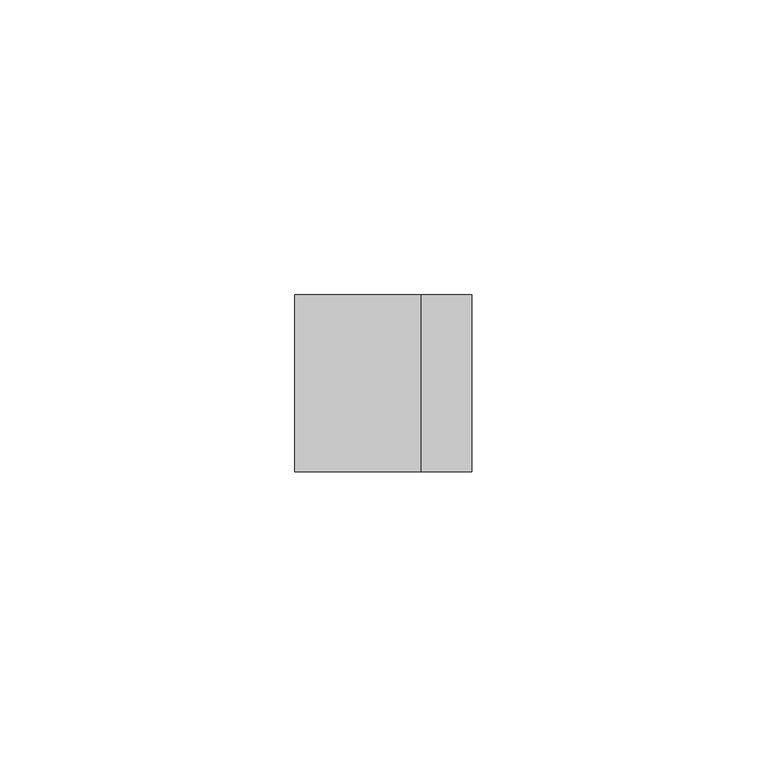
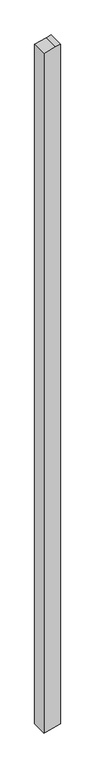
"""IFC4 building model written with IfcOpenShell, lengths in millimetres: member geometry."""

import ifcopenshell
import ifcopenshell.guid

model = None  # the IFC model being written
_history = None  # IfcOwnerHistory: only IFC2X3 demands one
_inside = {}  # id of a spatial element -> (the spatial element, [elements in it])
_under = {}  # id of a project, library or spatial element -> (it, [spatial elements below it])
_declared = {}  # id of a project -> (the project, [libraries it declares])
_typed = {}  # id of a type object -> (the type object, [elements of that type])
_made_of = {}  # id of a material, layer set ... -> (it, [elements and type objects made of it])


def new_model(schema):
    """Start an empty IFC model of exactly this schema.

    Asked for "IFC4X3", IfcOpenShell would pick the latest addendum, in which some entities
    have other attributes; the version numbers below select the first issue.
    IFC2X3 requires an IfcOwnerHistory on every rooted entity: one is made here for all.
    """
    global model, _history
    if schema == "IFC4X3":
        model = ifcopenshell.file(schema_version=(4, 3, 0, 0))
    else:
        model = ifcopenshell.file(schema=schema)
    _inside.clear()
    _under.clear()
    _declared.clear()
    _typed.clear()
    _made_of.clear()
    _history = None
    if model.schema == "IFC2X3":
        org = make("IfcOrganization", Name="unknown")
        user = make(
            "IfcPersonAndOrganization",
            ThePerson=make("IfcPerson", FamilyName="unknown"),
            TheOrganization=org,
        )
        app = make(
            "IfcApplication",
            ApplicationDeveloper=org,
            Version="unknown",
            ApplicationFullName="unknown",
            ApplicationIdentifier="unknown",
        )
        _history = make(
            "IfcOwnerHistory",
            OwningUser=user,
            OwningApplication=app,
            ChangeAction="ADDED",
            CreationDate=0,
        )
    return model


def make(cls, **values):
    """One entity of the class cls with the attributes given. An attribute that is None is left unset."""
    return model.create_entity(
        cls, **{name: value for name, value in values.items() if value is not None}
    )


def rooted(cls, **values):
    """An entity with a GlobalId (a new one), such as an element, a storey or a relation."""
    return make(cls, GlobalId=ifcopenshell.guid.new(), OwnerHistory=_history, **values)


def si_unit(unit_type, name, prefix=None):
    """IfcSIUnit, for example si_unit("LENGTHUNIT", "METRE", prefix="MILLI")."""
    return make("IfcSIUnit", UnitType=unit_type, Prefix=prefix, Name=name)


def assignment(units):
    """IfcUnitAssignment: the units of a project."""
    return None if units is None else make("IfcUnitAssignment", Units=units)


def point(xyz):
    """IfcCartesianPoint."""
    return None if xyz is None else make("IfcCartesianPoint", Coordinates=xyz)


def direction(xyz):
    """IfcDirection."""
    return None if xyz is None else make("IfcDirection", DirectionRatios=xyz)


def frame(location, z_axis=None, x_axis=None):
    """IfcAxis2Placement3D, a coordinate frame: its origin and axes. An axis left out is left unset."""
    return make(
        "IfcAxis2Placement3D",
        Location=point(location),
        Axis=direction(z_axis),
        RefDirection=direction(x_axis),
    )


def origin():
    """The frame at (0, 0, 0) with its axes left unset."""
    return frame((0.0, 0.0, 0.0))


def place(relative_to, where):
    """IfcLocalPlacement: puts the frame where relative to a parent placement (None: the world)."""
    return make(
        "IfcLocalPlacement", PlacementRelTo=relative_to, RelativePlacement=where
    )


def context(
    kind, dimensions, precision=None, world=None, true_north=None, identifier=None
):
    """IfcGeometricRepresentationContext, for example the 3D "Model" context."""
    return make(
        "IfcGeometricRepresentationContext",
        ContextIdentifier=identifier,
        ContextType=kind,
        CoordinateSpaceDimension=dimensions,
        Precision=precision,
        WorldCoordinateSystem=world,
        TrueNorth=true_north,
    )


def project(units=None, contexts=None):
    """IfcProject with its units and contexts."""
    return rooted(
        "IfcProject",
        Name="project",
        RepresentationContexts=contexts,
        UnitsInContext=assignment(units),
    )


def spatial(cls, under=None, at=None, **own):
    """A site, building, storey or space (cls), placed at a placement, below another one or the project."""
    s = rooted(cls, ObjectPlacement=at, **own)
    if under is not None:
        _under.setdefault(under.id(), (under, []))[1].append(s)
    return s


def polyline(points):
    """IfcPolyline through the points."""
    return make("IfcPolyline", Points=[point(p) for p in points])


def outline(outer, holes=None, kind="AREA"):
    """IfcArbitraryClosedProfileDef: a profile drawn as a closed curve; with holes, ...WithVoids."""
    if holes is None:
        return make("IfcArbitraryClosedProfileDef", ProfileType=kind, OuterCurve=outer)
    return make(
        "IfcArbitraryProfileDefWithVoids",
        ProfileType=kind,
        OuterCurve=outer,
        InnerCurves=holes,
    )


def extrude(swept, where, along, depth):
    """IfcExtrudedAreaSolid: the profile swept, set in the frame where, extruded along a direction by depth."""
    return make(
        "IfcExtrudedAreaSolid",
        SweptArea=swept,
        Position=where,
        ExtrudedDirection=direction(along),
        Depth=depth,
    )


def shape(context_of_items, identifier, shape_type, items):
    """IfcShapeRepresentation: the items that make up one representation, for example the "Body"."""
    return make(
        "IfcShapeRepresentation",
        ContextOfItems=context_of_items,
        RepresentationIdentifier=identifier,
        RepresentationType=shape_type,
        Items=items,
    )


def source(mapping_origin, context_of_items, identifier, shape_type, items):
    """IfcRepresentationMap: a shape defined once, which mapped items show again and again."""
    return make(
        "IfcRepresentationMap",
        MappingOrigin=mapping_origin,
        MappedRepresentation=shape(context_of_items, identifier, shape_type, items),
    )


def transform(
    local_origin,
    x_axis=None,
    y_axis=None,
    z_axis=None,
    scale=None,
    scale2=None,
    scale3=None,
    uniform=True,
):
    """IfcCartesianTransformationOperator3D, or its non-uniform kind. x_axis, y_axis, z_axis: its Axis1, 2, 3."""
    if uniform:
        return make(
            "IfcCartesianTransformationOperator3D",
            Axis1=direction(x_axis),
            Axis2=direction(y_axis),
            LocalOrigin=point(local_origin),
            Scale=scale,
            Axis3=direction(z_axis),
        )
    return make(
        "IfcCartesianTransformationOperator3DnonUniform",
        Axis1=direction(x_axis),
        Axis2=direction(y_axis),
        LocalOrigin=point(local_origin),
        Scale=scale,
        Axis3=direction(z_axis),
        Scale2=scale2,
        Scale3=scale3,
    )


def mapped(mapping_source, mapping_target):
    """IfcMappedItem: shows the shape of a source again, moved by a transform."""
    return make(
        "IfcMappedItem", MappingSource=mapping_source, MappingTarget=mapping_target
    )


def made_of(thing, what):
    """Note that an element or type object is made of a material, layer set ...; save() writes the relation."""
    if what is not None:
        _made_of.setdefault(what.id(), (what, []))[1].append(thing)
    return thing


def element(
    cls,
    number,
    at=None,
    inside=None,
    cuts=None,
    type_object=None,
    material=None,
    context=None,
    identifier="Body",
    shape_type=None,
    held_by="IfcProductDefinitionShape",
    body=None,
    shapes=None,
    **own,
):
    """One element of the class cls, such as IfcWall. Its Tag is "e" and its number.

    at: its placement. inside: the storey or other place that contains it. cuts: it is an
    opening in that element (IfcRelVoidsElement). A single representation is given by context,
    identifier, shape_type and body (its items); several are given by shapes. held_by: the class
    of the entity that holds the representations. save() writes the other relations.
    """
    e = rooted(cls, Tag="e%d" % number, ObjectPlacement=at, **own)
    if body is not None:
        shapes = [shape(context, identifier, shape_type, body)]
    if shapes is not None:
        e.Representation = make(held_by, Representations=shapes)
    if inside is not None:
        _inside.setdefault(inside.id(), (inside, []))[1].append(e)
    if cuts is not None:
        rooted(
            "IfcRelVoidsElement", RelatingBuildingElement=cuts, RelatedOpeningElement=e
        )
    if type_object is not None:
        _typed.setdefault(type_object.id(), (type_object, []))[1].append(e)
    return made_of(e, material)


def aggregate(whole, parts):
    """IfcRelAggregates: a whole, such as a stair, and the parts it consists of."""
    return rooted("IfcRelAggregates", RelatingObject=whole, RelatedObjects=parts)


def save(model, path):
    """Write the relations noted so far, then the file.

    IfcRelAggregates (storeys below a building ...), IfcRelContainedInSpatialStructure (elements
    in a storey), IfcRelDefinesByType, IfcRelAssociatesMaterial and IfcRelDeclares: one each for
    every whole, place, type object, material and project.
    """
    for whole, parts in _under.values():
        aggregate(whole, parts)
    for where, things in _inside.values():
        rooted(
            "IfcRelContainedInSpatialStructure",
            RelatedElements=things,
            RelatingStructure=where,
        )
    for kind, things in _typed.values():
        rooted("IfcRelDefinesByType", RelatedObjects=things, RelatingType=kind)
    for what, things in _made_of.values():
        rooted("IfcRelAssociatesMaterial", RelatedObjects=things, RelatingMaterial=what)
    for by, libraries in _declared.values():
        rooted("IfcRelDeclares", RelatingContext=by, RelatedDefinitions=libraries)
    model.write(path)


def member_1464ff7e(model_context):
    return source(origin(), model_context, "Body", "SweptSolid", [
        extrude(outline(polyline([(3.1373334, 15.0), (0.8518543, 6.4704761), (-4.9011424, -15.0), (-1329.7385007, -15.0), (-1329.137409, -12.7137556), (-1321.8510005, 15.0), (3.1373334, 15.0)])), frame((0.0, -15.0, 0.0), z_axis=(0.0, 1.0, 0.0), x_axis=(0.0, 0.0, 1.0)), (0.0, 0.0, 1.0), 30.0),
    ])


if __name__ == "__main__":
    model = new_model("IFC4")
    model_context = context("Model", 3, world=origin())
    ifc_project = project(units=[si_unit("LENGTHUNIT", "METRE", prefix="MILLI")], contexts=[model_context])
    site = spatial("IfcSite", under=ifc_project)
    building = spatial("IfcBuilding", under=site)
    placement = place(None, origin())
    member_shape = member_1464ff7e(model_context)
    element("IfcMember", 1, at=placement, inside=building, context=model_context, shape_type="MappedRepresentation", body=[
        mapped(member_shape, transform((0.0, 0.0, 0.0), x_axis=(1.0, 0.0, 0.0), y_axis=(0.0, 1.0, 0.0), z_axis=(0.0, 0.0, 1.0))),
    ])
    save(model, "model.ifc")
